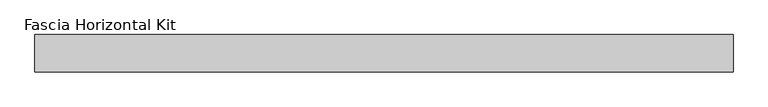
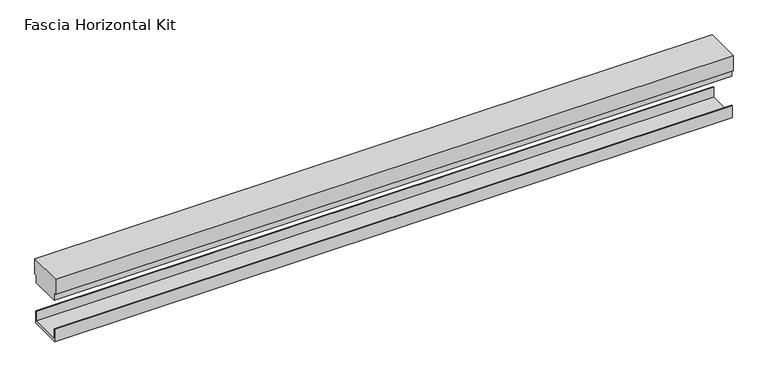
"""IFC4 building model written with IfcOpenShell, lengths in millimetres: proxy geometry, Fascia Horizontal Kit."""

from ifc_helpers import new_model, si_unit, frame, origin, place, context, project, spatial, polyline, outline, extrude, source, transform, mapped, element, save


def fascia_horizontal_kit_428144f7(model_context):
    return source(origin(), model_context, "Body", "SweptSolid", [
        extrude(outline(polyline([(94.0992263, 4.58724), (94.0992263, 23.2156), (95.2574663, 23.2156), (95.2574663, 0.0), (37.2438663, 0.0), (37.2438663, 23.2156), (38.4021063, 23.2156), (38.4021063, 4.58724), (94.0992263, 4.58724)])), frame((-702.9895117, 0.0, 0.0), z_axis=(1.0, 0.0, 0.0), x_axis=(0.0, 1.0, 0.0)), (0.0, 0.0, 1.0), 1205.2943013),
        extrude(outline(polyline([(98.4324663, 119.029), (98.4324663, 91.029), (93.5466663, 91.029), (93.5466663, 77.0336001), (38.9546663, 77.0336001), (38.9546663, 91.029), (34.0688663, 91.029), (34.0688663, 119.029), (98.4324663, 119.029)])), frame((-702.9895117, 0.0, 0.0), z_axis=(1.0, 0.0, 0.0), x_axis=(0.0, 1.0, 0.0)), (0.0, 0.0, 1.0), 1205.2943013),
    ])


if __name__ == "__main__":
    model = new_model("IFC4")
    model_context = context("Model", 3, world=origin())
    ifc_project = project(units=[si_unit("LENGTHUNIT", "METRE", prefix="MILLI")], contexts=[model_context])
    site = spatial("IfcSite", under=ifc_project)
    building = spatial("IfcBuilding", under=site)
    placement = place(None, origin())
    fascia_horizontal_kit_shape = fascia_horizontal_kit_428144f7(model_context)
    element("IfcBuildingElementProxy", 1, Name="Fascia Horizontal Kit", ObjectType="Fascia Horizontal Kit", at=placement, inside=building, context=model_context, shape_type="MappedRepresentation", body=[
        mapped(fascia_horizontal_kit_shape, transform((0.0, 0.0, 0.0), x_axis=(1.0, 0.0, 0.0), y_axis=(0.0, 1.0, 0.0), z_axis=(0.0, 0.0, 1.0))),
    ])
    save(model, "model.ifc")
